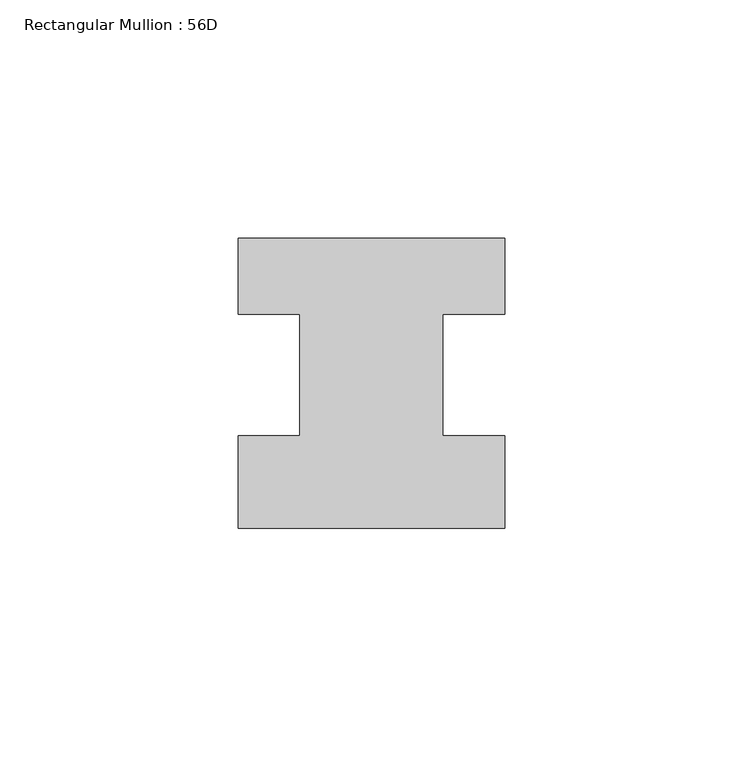
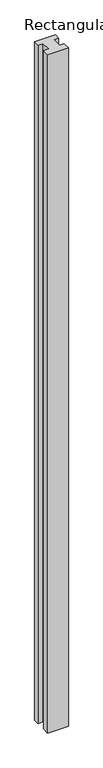
"""IFC4 building model written with IfcOpenShell, lengths in millimetres: member geometry, Rectangular Mullion : 56D."""

from ifc_helpers import new_model, si_unit, frame, origin, place, context, project, spatial, polyline, outline, extrude, source, transform, mapped, element, save


def rectangular_mullion_56d_b9822f42(model_context):
    return source(origin(), model_context, "Body", "SweptSolid", [
        extrude(outline(polyline([(28.0, -20.0), (-28.0, -20.0), (-28.0, -0.5), (-15.0, -0.5), (-15.0, 25.0), (-28.0, 25.0), (-28.0, 41.0), (28.0, 41.0), (28.0, 25.0), (15.0, 25.0), (15.0, -0.5), (28.0, -0.5), (28.0, -20.0)])), frame((0.0, 0.0, -1947.0), z_axis=(0.0, 0.0, 1.0), x_axis=(1.0, 0.0, 0.0)), (0.0, 0.0, 1.0), 1947.0),
    ])


if __name__ == "__main__":
    model = new_model("IFC4")
    model_context = context("Model", 3, world=origin())
    ifc_project = project(units=[si_unit("LENGTHUNIT", "METRE", prefix="MILLI")], contexts=[model_context])
    site = spatial("IfcSite", under=ifc_project)
    building = spatial("IfcBuilding", under=site)
    placement = place(None, origin())
    rectangular_mullion_56d_shape = rectangular_mullion_56d_b9822f42(model_context)
    element("IfcMember", 1, ObjectType="Rectangular Mullion : 56D", at=placement, inside=building, context=model_context, shape_type="MappedRepresentation", body=[
        mapped(rectangular_mullion_56d_shape, transform((0.0, 0.0, 0.0), x_axis=(1.0, 0.0, 0.0), y_axis=(0.0, 1.0, 0.0), z_axis=(0.0, 0.0, 1.0))),
    ])
    save(model, "model.ifc")
